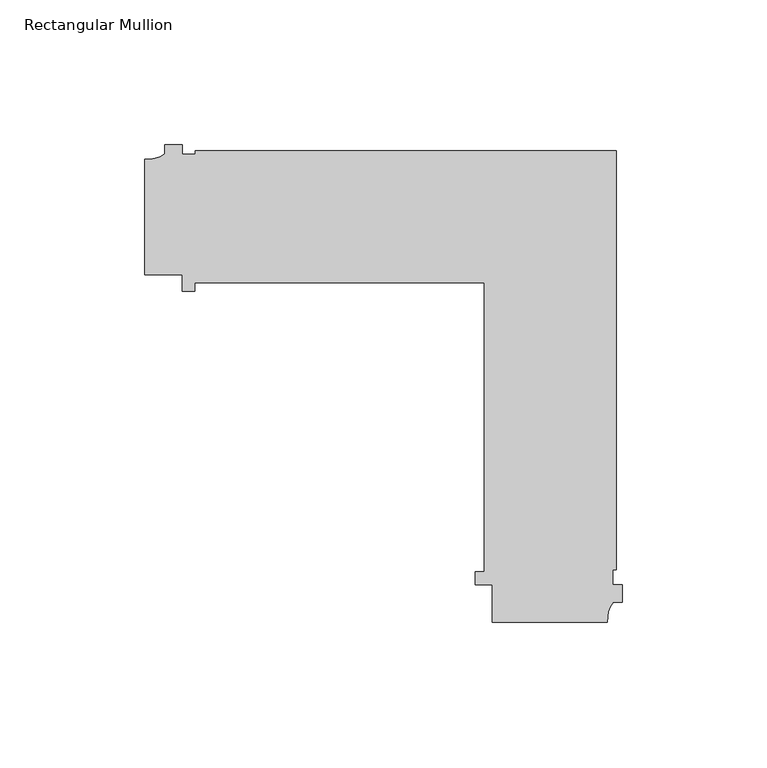
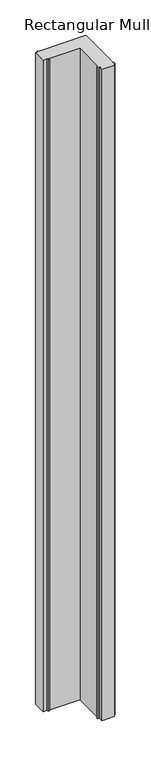
"""IFC4 building model written with IfcOpenShell, lengths in millimetres: member geometry, Rectangular Mullion."""

from ifc_helpers import new_model, si_unit, point, frame, frame_2d, origin, place, context, project, spatial, polyline, circle_curve, trimmed, segment, composite_curve, outline, extrude, source, transform, mapped, element, save


def rectangular_mullion_386c7da0(model_context):
    return source(origin(), model_context, "Body", "SweptSolid", [
        extrude(outline(composite_curve([segment(trimmed(circle_curve(frame_2d((-164.3097732, 25.7981787)), 10.4563907), [point((-165.1999104, 15.379745))], [point((-158.1999713, 17.3125187))], True, "CARTESIAN"), True, "CONTINUOUS"), segment(polyline([(-158.1999713, 17.3125187), (-158.1999713, 20.4999975), (-152.1999713, 20.4999975), (-152.1999713, 17.2147834), (-147.7306489, 17.2147834), (-147.7306489, 18.4147834), (-2.0852141, 18.4147834), (-2.0852141, -126.4999738), (-3.2852141, -126.4999738), (-3.2852141, -131.6999738), (0.0, -131.6999738), (0.0, -137.6999738), (-3.1874788, -137.6999738)]), True, "CONTINUOUS"), segment(trimmed(circle_curve(frame_2d((5.2981812, -143.8097757)), 10.4563907), [point((-3.1874788, -137.6999738))], [point((-5.1202525, -144.6999129))], True, "CARTESIAN"), True, "CONTINUOUS"), segment(polyline([(-5.1202525, -144.6999129), (-45.0, -144.6999129), (-45.0, -131.6999738), (-50.8, -131.6999738), (-50.8, -127.3000025), (-47.8, -127.3000025), (-47.8, -27.3000025), (-147.8, -27.3000025), (-147.8, -30.3000025), (-152.1999713, -30.3000025), (-152.1999713, -24.5000025), (-165.1999104, -24.5000025), (-165.1999104, 15.379745)]), True, "CONTINUOUS")], self_intersect=False)), frame((0.0, 0.0, -2200.0), z_axis=(0.0, 0.0, 1.0), x_axis=(1.0, 0.0, 0.0)), (0.0, 0.0, 1.0), 2200.0),
    ])


if __name__ == "__main__":
    model = new_model("IFC4")
    model_context = context("Model", 3, world=origin())
    ifc_project = project(units=[si_unit("LENGTHUNIT", "METRE", prefix="MILLI")], contexts=[model_context])
    site = spatial("IfcSite", under=ifc_project)
    building = spatial("IfcBuilding", under=site)
    placement = place(None, origin())
    rectangular_mullion_shape = rectangular_mullion_386c7da0(model_context)
    element("IfcMember", 1, ObjectType="Rectangular Mullion", at=placement, inside=building, context=model_context, shape_type="MappedRepresentation", body=[
        mapped(rectangular_mullion_shape, transform((0.0, 0.0, 0.0), x_axis=(1.0, 0.0, 0.0), y_axis=(0.0, 1.0, 0.0), z_axis=(0.0, 0.0, 1.0))),
    ])
    save(model, "model.ifc")
